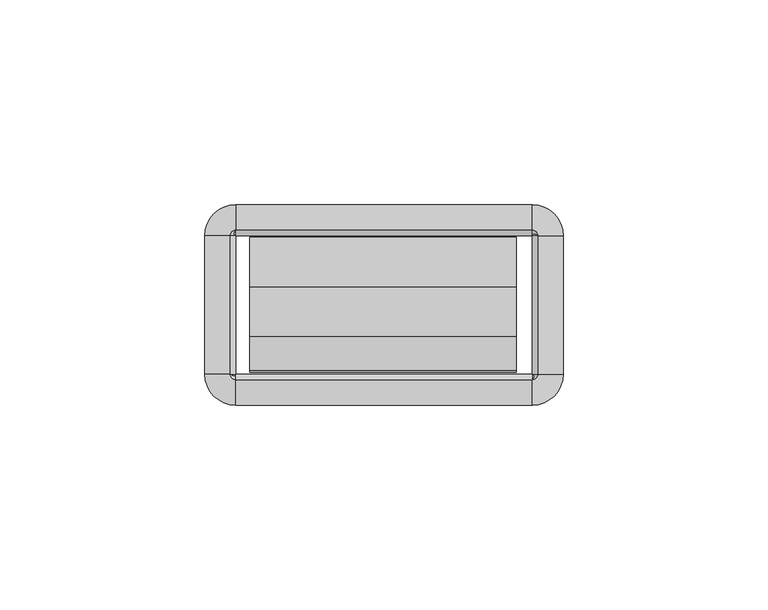
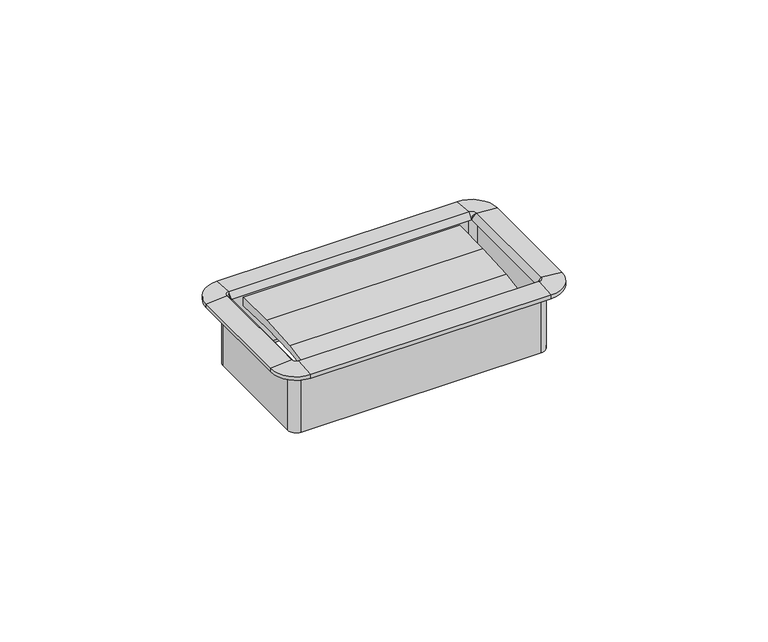
"""IFC4 building model written with IfcOpenShell, lengths in millimetres: furniture geometry."""

import ifcopenshell
import ifcopenshell.guid

model = None  # the IFC model being written
_history = None  # IfcOwnerHistory: only IFC2X3 demands one
_inside = {}  # id of a spatial element -> (the spatial element, [elements in it])
_under = {}  # id of a project, library or spatial element -> (it, [spatial elements below it])
_declared = {}  # id of a project -> (the project, [libraries it declares])
_typed = {}  # id of a type object -> (the type object, [elements of that type])
_made_of = {}  # id of a material, layer set ... -> (it, [elements and type objects made of it])


def new_model(schema):
    """Start an empty IFC model of exactly this schema.

    Asked for "IFC4X3", IfcOpenShell would pick the latest addendum, in which some entities
    have other attributes; the version numbers below select the first issue.
    IFC2X3 requires an IfcOwnerHistory on every rooted entity: one is made here for all.
    """
    global model, _history
    if schema == "IFC4X3":
        model = ifcopenshell.file(schema_version=(4, 3, 0, 0))
    else:
        model = ifcopenshell.file(schema=schema)
    _inside.clear()
    _under.clear()
    _declared.clear()
    _typed.clear()
    _made_of.clear()
    _history = None
    if model.schema == "IFC2X3":
        org = make("IfcOrganization", Name="unknown")
        user = make(
            "IfcPersonAndOrganization",
            ThePerson=make("IfcPerson", FamilyName="unknown"),
            TheOrganization=org,
        )
        app = make(
            "IfcApplication",
            ApplicationDeveloper=org,
            Version="unknown",
            ApplicationFullName="unknown",
            ApplicationIdentifier="unknown",
        )
        _history = make(
            "IfcOwnerHistory",
            OwningUser=user,
            OwningApplication=app,
            ChangeAction="ADDED",
            CreationDate=0,
        )
    return model


def make(cls, **values):
    """One entity of the class cls with the attributes given. An attribute that is None is left unset."""
    return model.create_entity(
        cls, **{name: value for name, value in values.items() if value is not None}
    )


def rooted(cls, **values):
    """An entity with a GlobalId (a new one), such as an element, a storey or a relation."""
    return make(cls, GlobalId=ifcopenshell.guid.new(), OwnerHistory=_history, **values)


def si_unit(unit_type, name, prefix=None):
    """IfcSIUnit, for example si_unit("LENGTHUNIT", "METRE", prefix="MILLI")."""
    return make("IfcSIUnit", UnitType=unit_type, Prefix=prefix, Name=name)


def assignment(units):
    """IfcUnitAssignment: the units of a project."""
    return None if units is None else make("IfcUnitAssignment", Units=units)


def point(xyz):
    """IfcCartesianPoint."""
    return None if xyz is None else make("IfcCartesianPoint", Coordinates=xyz)


def direction(xyz):
    """IfcDirection."""
    return None if xyz is None else make("IfcDirection", DirectionRatios=xyz)


def frame(location, z_axis=None, x_axis=None):
    """IfcAxis2Placement3D, a coordinate frame: its origin and axes. An axis left out is left unset."""
    return make(
        "IfcAxis2Placement3D",
        Location=point(location),
        Axis=direction(z_axis),
        RefDirection=direction(x_axis),
    )


def origin():
    """The frame at (0, 0, 0) with its axes left unset."""
    return frame((0.0, 0.0, 0.0))


def place(relative_to, where):
    """IfcLocalPlacement: puts the frame where relative to a parent placement (None: the world)."""
    return make(
        "IfcLocalPlacement", PlacementRelTo=relative_to, RelativePlacement=where
    )


def context(
    kind, dimensions, precision=None, world=None, true_north=None, identifier=None
):
    """IfcGeometricRepresentationContext, for example the 3D "Model" context."""
    return make(
        "IfcGeometricRepresentationContext",
        ContextIdentifier=identifier,
        ContextType=kind,
        CoordinateSpaceDimension=dimensions,
        Precision=precision,
        WorldCoordinateSystem=world,
        TrueNorth=true_north,
    )


def project(units=None, contexts=None):
    """IfcProject with its units and contexts."""
    return rooted(
        "IfcProject",
        Name="project",
        RepresentationContexts=contexts,
        UnitsInContext=assignment(units),
    )


def spatial(cls, under=None, at=None, **own):
    """A site, building, storey or space (cls), placed at a placement, below another one or the project."""
    s = rooted(cls, ObjectPlacement=at, **own)
    if under is not None:
        _under.setdefault(under.id(), (under, []))[1].append(s)
    return s


def polyline(points):
    """IfcPolyline through the points."""
    return make("IfcPolyline", Points=[point(p) for p in points])


def circle_curve(where, radius):
    """IfcCircle in the frame where."""
    return make("IfcCircle", Position=where, Radius=radius)


def outline(outer, holes=None, kind="AREA"):
    """IfcArbitraryClosedProfileDef: a profile drawn as a closed curve; with holes, ...WithVoids."""
    if holes is None:
        return make("IfcArbitraryClosedProfileDef", ProfileType=kind, OuterCurve=outer)
    return make(
        "IfcArbitraryProfileDefWithVoids",
        ProfileType=kind,
        OuterCurve=outer,
        InnerCurves=holes,
    )


def extrude(swept, where, along, depth):
    """IfcExtrudedAreaSolid: the profile swept, set in the frame where, extruded along a direction by depth."""
    return make(
        "IfcExtrudedAreaSolid",
        SweptArea=swept,
        Position=where,
        ExtrudedDirection=direction(along),
        Depth=depth,
    )


def shape(context_of_items, identifier, shape_type, items):
    """IfcShapeRepresentation: the items that make up one representation, for example the "Body"."""
    return make(
        "IfcShapeRepresentation",
        ContextOfItems=context_of_items,
        RepresentationIdentifier=identifier,
        RepresentationType=shape_type,
        Items=items,
    )


def source(mapping_origin, context_of_items, identifier, shape_type, items):
    """IfcRepresentationMap: a shape defined once, which mapped items show again and again."""
    return make(
        "IfcRepresentationMap",
        MappingOrigin=mapping_origin,
        MappedRepresentation=shape(context_of_items, identifier, shape_type, items),
    )


def transform(
    local_origin,
    x_axis=None,
    y_axis=None,
    z_axis=None,
    scale=None,
    scale2=None,
    scale3=None,
    uniform=True,
):
    """IfcCartesianTransformationOperator3D, or its non-uniform kind. x_axis, y_axis, z_axis: its Axis1, 2, 3."""
    if uniform:
        return make(
            "IfcCartesianTransformationOperator3D",
            Axis1=direction(x_axis),
            Axis2=direction(y_axis),
            LocalOrigin=point(local_origin),
            Scale=scale,
            Axis3=direction(z_axis),
        )
    return make(
        "IfcCartesianTransformationOperator3DnonUniform",
        Axis1=direction(x_axis),
        Axis2=direction(y_axis),
        LocalOrigin=point(local_origin),
        Scale=scale,
        Axis3=direction(z_axis),
        Scale2=scale2,
        Scale3=scale3,
    )


def mapped(mapping_source, mapping_target):
    """IfcMappedItem: shows the shape of a source again, moved by a transform."""
    return make(
        "IfcMappedItem", MappingSource=mapping_source, MappingTarget=mapping_target
    )


def made_of(thing, what):
    """Note that an element or type object is made of a material, layer set ...; save() writes the relation."""
    if what is not None:
        _made_of.setdefault(what.id(), (what, []))[1].append(thing)
    return thing


def element(
    cls,
    number,
    at=None,
    inside=None,
    cuts=None,
    type_object=None,
    material=None,
    context=None,
    identifier="Body",
    shape_type=None,
    held_by="IfcProductDefinitionShape",
    body=None,
    shapes=None,
    **own,
):
    """One element of the class cls, such as IfcWall. Its Tag is "e" and its number.

    at: its placement. inside: the storey or other place that contains it. cuts: it is an
    opening in that element (IfcRelVoidsElement). A single representation is given by context,
    identifier, shape_type and body (its items); several are given by shapes. held_by: the class
    of the entity that holds the representations. save() writes the other relations.
    """
    e = rooted(cls, Tag="e%d" % number, ObjectPlacement=at, **own)
    if body is not None:
        shapes = [shape(context, identifier, shape_type, body)]
    if shapes is not None:
        e.Representation = make(held_by, Representations=shapes)
    if inside is not None:
        _inside.setdefault(inside.id(), (inside, []))[1].append(e)
    if cuts is not None:
        rooted(
            "IfcRelVoidsElement", RelatingBuildingElement=cuts, RelatedOpeningElement=e
        )
    if type_object is not None:
        _typed.setdefault(type_object.id(), (type_object, []))[1].append(e)
    return made_of(e, material)


def aggregate(whole, parts):
    """IfcRelAggregates: a whole, such as a stair, and the parts it consists of."""
    return rooted("IfcRelAggregates", RelatingObject=whole, RelatedObjects=parts)


def save(model, path):
    """Write the relations noted so far, then the file.

    IfcRelAggregates (storeys below a building ...), IfcRelContainedInSpatialStructure (elements
    in a storey), IfcRelDefinesByType, IfcRelAssociatesMaterial and IfcRelDeclares: one each for
    every whole, place, type object, material and project.
    """
    for whole, parts in _under.values():
        aggregate(whole, parts)
    for where, things in _inside.values():
        rooted(
            "IfcRelContainedInSpatialStructure",
            RelatedElements=things,
            RelatingStructure=where,
        )
    for kind, things in _typed.values():
        rooted("IfcRelDefinesByType", RelatedObjects=things, RelatingType=kind)
    for what, things in _made_of.values():
        rooted("IfcRelAssociatesMaterial", RelatedObjects=things, RelatingMaterial=what)
    for by, libraries in _declared.values():
        rooted("IfcRelDeclares", RelatingContext=by, RelatedDefinitions=libraries)
    model.write(path)


def plane_surface(at):
    """IfcPlane: the flat surface through the origin of the frame at, square to its z axis."""
    return make("IfcPlane", Position=at)


def cylinder_surface(at, radius):
    """IfcCylindricalSurface: all points at the distance radius from the z axis of the frame at."""
    return make("IfcCylindricalSurface", Position=at, Radius=radius)


def revolved_surface(curve, axis_point, axis_direction):
    """IfcSurfaceOfRevolution: the curve turned about the line through axis_point along axis_direction."""
    return make(
        "IfcSurfaceOfRevolution",
        SweptCurve=make("IfcArbitraryOpenProfileDef", ProfileType="CURVE", Curve=curve),
        AxisPosition=make("IfcAxis1Placement", Location=point(axis_point), Axis=direction(axis_direction)),
    )


def advanced_brep(points, edges, surfaces, faces):
    """IfcAdvancedBrep: a solid bounded by faces that lie on surfaces and meet in shared edges.

    An edge is (start, end): straight between two places in points (the first is 0);
    or (start, end, curve); or (start, end, curve, False) where it runs against its curve.
    A face is (place in surfaces, loops), or (place, loops, False) where it looks against
    its surface's normal. A loop lists edges by number (the first is 1), with a minus sign
    where the edge is run from its end to its start. The first loop is the outer one.
    """
    corners = [point(p) for p in points]
    vertices = [make("IfcVertexPoint", VertexGeometry=c) for c in corners]
    made = []
    for start, end, *more in edges:
        made.append(
            make(
                "IfcEdgeCurve",
                EdgeStart=vertices[start],
                EdgeEnd=vertices[end],
                EdgeGeometry=more[0] if more else make("IfcPolyline", Points=[corners[start], corners[end]]),
                SameSense=more[1] if len(more) > 1 else True,
            )
        )
    hull = []
    for where, loops, *sense in faces:
        bounds = []
        for j, loop in enumerate(loops):
            ring = [make("IfcOrientedEdge", EdgeElement=made[abs(k) - 1], Orientation=k > 0) for k in loop]
            bounds.append(
                make(
                    "IfcFaceOuterBound" if j == 0 else "IfcFaceBound",
                    Bound=make("IfcEdgeLoop", EdgeList=ring),
                    Orientation=True,
                )
            )
        hull.append(make("IfcAdvancedFace", Bounds=bounds, FaceSurface=surfaces[where], SameSense=sense[0] if sense else True))
    return make("IfcAdvancedBrep", Outer=make("IfcClosedShell", CfsFaces=hull))


def furniture_519ffbaa(model_context):
    return source(origin(), model_context, "Body", "SolidModel", [
        extrude(outline(polyline([(-27.4015977, 722.2413463), (-35.841251, 721.1777762), (-35.4230807, 722.5557243), (-27.1272776, 724.0947401), (-15.0207956, 724.8883076), (-2.8884162, 724.9334028), (-2.9633248, 722.1752515), (-15.1814712, 722.5742355), (-27.4015977, 722.2413463)])), frame((-32.8496732, 0.0, 0.0), z_axis=(1.0, 0.0, 0.0), x_axis=(0.0, 1.0, 0.0)), (0.0, 0.0, 1.0), 65.1763996),
        advanced_brep(
        [(37.8602578, -2.54, 725.17), (36.1704551, -0.8501974, 725.17), (36.1704551, -0.8501974, 706.3232), (37.8602578, -2.54, 706.3232), (37.5244377, -2.54, 726.8352454), (36.1704551, -1.1860174, 726.8352454), (36.1704551, -2.5172282, 725.17), (43.7913825, -2.54, 726.313), (36.1704551, 5.0809274, 726.313), (43.7913825, -2.54, 725.17), (36.1704551, 5.0809274, 725.17), (38.7104551, -2.54, 704.8499989), (36.1704551, 0.0, 704.8499989), (36.1704551, 0.0, 725.17), (38.7104551, -2.54, 725.17), (37.8602578, -36.2712, 706.3232), (37.8602578, -36.2712, 725.17), (36.1932269, -36.2712, 725.17), (37.5244377, -36.2712, 726.8352454), (43.7913825, -36.2712, 726.313), (43.7913825, -36.2712, 725.17), (38.7104551, -36.2712, 725.17), (38.7104551, -36.2712, 704.8499989), (36.1704551, -37.9610026, 725.17), (36.1704551, -37.9610026, 706.3232), (36.1704551, -37.6251826, 726.8352454), (36.1704551, -43.8921274, 726.313), (36.1704551, -43.8921274, 725.17), (36.1704551, -38.8112, 704.8499989), (36.1704551, -38.8112, 725.17), (-36.1687428, -37.9610026, 706.3232), (-36.1687428, -37.9610026, 725.17), (-36.1687428, -36.2939718, 725.17), (-36.1687428, -37.6251826, 726.8352454), (-36.1687428, -43.8921274, 726.313), (-36.1687428, -43.8921274, 725.17), (-36.1687428, -38.8112, 725.17), (-36.1687428, -38.8112, 704.8499989), (-37.8585455, -36.2712, 725.17), (-37.8585455, -36.2712, 706.3232), (-37.5227254, -36.2712, 726.8352454), (-43.7896702, -36.2712, 726.313), (-43.7896702, -36.2712, 725.17), (-38.7087428, -36.2712, 704.8499989), (-38.7087428, -36.2712, 725.17), (-37.8585455, -2.54, 706.3232), (-37.8585455, -2.54, 725.17), (-36.1915146, -2.54, 725.17), (-37.5227254, -2.54, 726.8352454), (-43.7896702, -2.54, 726.313), (-43.7896702, -2.54, 725.17), (-38.7087428, -2.54, 725.17), (-38.7087428, -2.54, 704.8499989), (-36.1687428, -0.8501974, 725.17), (-36.1687428, -0.8501974, 706.3232), (-36.1687428, -1.1860174, 726.8352454), (-36.1687428, 5.0809274, 726.313), (-36.1687428, 5.0809274, 725.17), (-36.1687428, 0.0, 704.8499989), (-36.1687428, 0.0, 725.17), (38.6519521, -2.54, 706.3232), (36.1704551, -0.058503, 706.3232), (38.6519521, -36.2712, 706.3232), (36.1704551, -38.752697, 706.3232), (-36.1687428, -38.752697, 706.3232), (-38.6502398, -36.2712, 706.3232), (-38.6502398, -2.54, 706.3232), (-36.1687428, -0.058503, 706.3232)],
        [
            (0, 1, circle_curve(frame((36.1704551, -2.54, 725.17), z_axis=(0.0, 0.0, 1.0), x_axis=(0.0, 1.0, 0.0)), 1.6898026)),
            (1, 2),
            (2, 3, circle_curve(frame((36.1704551, -2.54, 706.3232), z_axis=(0.0, 0.0, -1.0), x_axis=(0.0, 1.0, 0.0)), 1.6898026)),
            (3, 0),
            (4, 5, circle_curve(frame((36.1704551, -2.54, 726.8352454), z_axis=(0.0, 0.0, 1.0), x_axis=(0.0, 1.0, 0.0)), 1.3539826)),
            (5, 6),
            (6, 4),
            (7, 8, circle_curve(frame((36.1704551, -2.54, 726.313), z_axis=(0.0, 0.0, 1.0), x_axis=(0.0, 1.0, 0.0)), 7.6209274)),
            (8, 5),
            (4, 7),
            (9, 10, circle_curve(frame((36.1704551, -2.54, 725.17), z_axis=(0.0, 0.0, 1.0), x_axis=(0.0, 1.0, 0.0)), 7.6209274)),
            (10, 8),
            (7, 9),
            (11, 12, circle_curve(frame((36.1704551, -2.54, 704.8499989), z_axis=(0.0, 0.0, 1.0), x_axis=(0.0, 1.0, 0.0)), 2.54)),
            (12, 13),
            (13, 14, circle_curve(frame((36.1704551, -2.54, 725.17), z_axis=(0.0, 0.0, -1.0), x_axis=(0.0, 1.0, 0.0)), 2.54)),
            (14, 11),
            (3, 15),
            (15, 16),
            (16, 0),
            (6, 17),
            (17, 18),
            (18, 4),
            (18, 19),
            (19, 7),
            (19, 20),
            (20, 9),
            (14, 21),
            (21, 22),
            (22, 11),
            (23, 16, circle_curve(frame((36.1704551, -36.2712, 725.17), z_axis=(0.0, 0.0, 1.0), x_axis=(1.0, 0.0, 0.0)), 1.6898026)),
            (15, 24, circle_curve(frame((36.1704551, -36.2712, 706.3232), z_axis=(0.0, 0.0, -1.0), x_axis=(1.0, 0.0, 0.0)), 1.6898026)),
            (24, 23),
            (25, 18, circle_curve(frame((36.1704551, -36.2712, 726.8352454), z_axis=(0.0, 0.0, 1.0), x_axis=(1.0, 0.0, 0.0)), 1.3539826)),
            (17, 25),
            (26, 19, circle_curve(frame((36.1704551, -36.2712, 726.313), z_axis=(0.0, 0.0, 1.0), x_axis=(1.0, 0.0, 0.0)), 7.6209274)),
            (25, 26),
            (27, 20, circle_curve(frame((36.1704551, -36.2712, 725.17), z_axis=(0.0, 0.0, 1.0), x_axis=(1.0, 0.0, 0.0)), 7.6209274)),
            (26, 27),
            (28, 22, circle_curve(frame((36.1704551, -36.2712, 704.8499989), z_axis=(0.0, 0.0, 1.0), x_axis=(1.0, 0.0, 0.0)), 2.54)),
            (21, 29, circle_curve(frame((36.1704551, -36.2712, 725.17), z_axis=(0.0, 0.0, -1.0), x_axis=(1.0, 0.0, 0.0)), 2.54)),
            (29, 28),
            (24, 30),
            (30, 31),
            (31, 23),
            (17, 32),
            (32, 33),
            (33, 25),
            (33, 34),
            (34, 26),
            (34, 35),
            (35, 27),
            (29, 36),
            (36, 37),
            (37, 28),
            (38, 31, circle_curve(frame((-36.1687428, -36.2712, 725.17), z_axis=(0.0, 0.0, 1.0), x_axis=(0.0, -1.0, 0.0)), 1.6898026)),
            (30, 39, circle_curve(frame((-36.1687428, -36.2712, 706.3232), z_axis=(0.0, 0.0, -1.0), x_axis=(0.0, -1.0, 0.0)), 1.6898026)),
            (39, 38),
            (40, 33, circle_curve(frame((-36.1687428, -36.2712, 726.8352454), z_axis=(0.0, 0.0, 1.0), x_axis=(0.0, -1.0, 0.0)), 1.3539826)),
            (32, 40),
            (41, 34, circle_curve(frame((-36.1687428, -36.2712, 726.313), z_axis=(0.0, 0.0, 1.0), x_axis=(0.0, -1.0, 0.0)), 7.6209274)),
            (40, 41),
            (42, 35, circle_curve(frame((-36.1687428, -36.2712, 725.17), z_axis=(0.0, 0.0, 1.0), x_axis=(0.0, -1.0, 0.0)), 7.6209274)),
            (41, 42),
            (43, 37, circle_curve(frame((-36.1687428, -36.2712, 704.8499989), z_axis=(0.0, 0.0, 1.0), x_axis=(0.0, -1.0, 0.0)), 2.54)),
            (36, 44, circle_curve(frame((-36.1687428, -36.2712, 725.17), z_axis=(0.0, 0.0, -1.0), x_axis=(0.0, -1.0, 0.0)), 2.54)),
            (44, 43),
            (39, 45),
            (45, 46),
            (46, 38),
            (32, 47),
            (47, 48),
            (48, 40),
            (48, 49),
            (49, 41),
            (49, 50),
            (50, 42),
            (44, 51),
            (51, 52),
            (52, 43),
            (53, 46, circle_curve(frame((-36.1687428, -2.54, 725.17), z_axis=(0.0, 0.0, 1.0), x_axis=(-1.0, 0.0, 0.0)), 1.6898026)),
            (45, 54, circle_curve(frame((-36.1687428, -2.54, 706.3232), z_axis=(0.0, 0.0, -1.0), x_axis=(-1.0, 0.0, 0.0)), 1.6898026)),
            (54, 53),
            (55, 48, circle_curve(frame((-36.1687428, -2.54, 726.8352454), z_axis=(0.0, 0.0, 1.0), x_axis=(-1.0, 0.0, 0.0)), 1.3539826)),
            (47, 55),
            (56, 49, circle_curve(frame((-36.1687428, -2.54, 726.313), z_axis=(0.0, 0.0, 1.0), x_axis=(-1.0, 0.0, 0.0)), 7.6209274)),
            (55, 56),
            (57, 50, circle_curve(frame((-36.1687428, -2.54, 725.17), z_axis=(0.0, 0.0, 1.0), x_axis=(-1.0, 0.0, 0.0)), 7.6209274)),
            (56, 57),
            (58, 52, circle_curve(frame((-36.1687428, -2.54, 704.8499989), z_axis=(0.0, 0.0, 1.0), x_axis=(-1.0, 0.0, 0.0)), 2.54)),
            (51, 59, circle_curve(frame((-36.1687428, -2.54, 725.17), z_axis=(0.0, 0.0, -1.0), x_axis=(-1.0, 0.0, 0.0)), 2.54)),
            (59, 58),
            (54, 2),
            (1, 53),
            (6, 47),
            (5, 55),
            (8, 56),
            (10, 57),
            (13, 59),
            (12, 58),
            (60, 61, circle_curve(frame((36.1704551, -2.54, 706.3232), z_axis=(0.0, 0.0, 1.0), x_axis=(0.0, 1.0, 0.0)), 2.481497)),
            (61, 12),
            (11, 60),
            (22, 62),
            (62, 60),
            (63, 62, circle_curve(frame((36.1704551, -36.2712, 706.3232), z_axis=(0.0, 0.0, 1.0), x_axis=(1.0, 0.0, 0.0)), 2.481497)),
            (28, 63),
            (37, 64),
            (64, 63),
            (65, 64, circle_curve(frame((-36.1687428, -36.2712, 706.3232), z_axis=(0.0, 0.0, 1.0), x_axis=(0.0, -1.0, 0.0)), 2.481497)),
            (43, 65),
            (52, 66),
            (66, 65),
            (67, 66, circle_curve(frame((-36.1687428, -2.54, 706.3232), z_axis=(0.0, 0.0, 1.0), x_axis=(-1.0, 0.0, 0.0)), 2.481497)),
            (58, 67),
            (61, 67),
        ],
        [
            revolved_surface(polyline([(36.1704551, -0.8501974000000001, 706.3232), (36.1704551, -0.8501974000000001, 725.17)]), (36.1704551, -2.54, 725.17), (0.0, 0.0, -1.0)),
            revolved_surface(polyline([(36.1704551, -2.5172282, 725.17), (36.1704551, -1.1860174, 726.8352454)]), (36.1704551, -2.54, 725.17), (0.0, 0.0, -1.0)),
            revolved_surface(polyline([(36.1704551, -1.1860174, 726.8352454), (36.1704551, 5.0809274, 726.313)]), (36.1704551, -2.54, 725.17), (0.0, 0.0, -1.0)),
            cylinder_surface(frame((36.1704551, -2.54, 725.17), z_axis=(0.0, 0.0, -1.0), x_axis=(0.0, 1.0, 0.0)), 7.6209274),
            cylinder_surface(frame((36.1704551, -2.54, 725.17), z_axis=(0.0, 0.0, -1.0), x_axis=(0.0, 1.0, 0.0)), 2.54),
            plane_surface(frame((37.8602578, -2.54, 706.3232), z_axis=(-1.0, 0.0, 0.0), x_axis=(0.0, -1.0, 0.0))),
            plane_surface(frame((36.1932269, -2.54, 725.17), z_axis=(-0.7810942622858547, 0.0, 0.6244131272035499), x_axis=(0.0, -1.0, 0.0))),
            plane_surface(frame((37.5244377, -2.54, 726.8352454), z_axis=(0.08304548081379862, 0.0, 0.9965457581648749), x_axis=(0.0, -1.0, 0.0))),
            plane_surface(frame((43.7913825, -2.54, 726.313), z_axis=(1.0, 0.0, 0.0), x_axis=(0.0, -1.0, 0.0))),
            plane_surface(frame((38.7104551, -2.54, 725.17), z_axis=(1.0, 0.0, 0.0), x_axis=(0.0, -1.0, 0.0))),
            revolved_surface(polyline([(37.8602577, -36.2712, 706.3232), (37.8602577, -36.2712, 725.17)]), (36.1704551, -36.2712, 725.17), (0.0, 0.0, -1.0)),
            revolved_surface(polyline([(36.1932269, -36.2712, 725.17), (37.5244377, -36.2712, 726.8352454)]), (36.1704551, -36.2712, 725.17), (0.0, 0.0, -1.0)),
            revolved_surface(polyline([(37.5244377, -36.2712, 726.8352454), (43.7913825, -36.2712, 726.313)]), (36.1704551, -36.2712, 725.17), (0.0, 0.0, -1.0)),
            cylinder_surface(frame((36.1704551, -36.2712, 725.17), z_axis=(0.0, 0.0, -1.0), x_axis=(1.0, 0.0, 0.0)), 7.6209274),
            cylinder_surface(frame((36.1704551, -36.2712, 725.17), z_axis=(0.0, 0.0, -1.0), x_axis=(1.0, 0.0, 0.0)), 2.54),
            plane_surface(frame((36.1704551, -37.9610026, 706.3232), z_axis=(0.0, 1.0, 0.0), x_axis=(-1.0, 0.0, 0.0))),
            plane_surface(frame((36.1704551, -36.2939718, 725.17), z_axis=(0.0, 0.7810942622858565, 0.6244131272035475), x_axis=(-1.0, 0.0, 0.0))),
            plane_surface(frame((36.1704551, -37.6251826, 726.8352454), z_axis=(0.0, -0.08304548081379555, 0.9965457581648751), x_axis=(-1.0, 0.0, 0.0))),
            plane_surface(frame((36.1704551, -43.8921274, 726.313), z_axis=(0.0, -1.0, 0.0), x_axis=(-1.0, 0.0, 0.0))),
            plane_surface(frame((36.1704551, -38.8112, 725.17), z_axis=(0.0, -1.0, 0.0), x_axis=(-1.0, 0.0, 0.0))),
            revolved_surface(polyline([(-36.1687428, -37.9610026, 706.3232), (-36.1687428, -37.9610026, 725.17)]), (-36.1687428, -36.2712, 725.17), (0.0, 0.0, -1.0)),
            revolved_surface(polyline([(-36.1687428, -36.2939718, 725.17), (-36.1687428, -37.6251826, 726.8352454)]), (-36.1687428, -36.2712, 725.17), (0.0, 0.0, -1.0)),
            revolved_surface(polyline([(-36.1687428, -37.6251826, 726.8352454), (-36.1687428, -43.8921274, 726.313)]), (-36.1687428, -36.2712, 725.17), (0.0, 0.0, -1.0)),
            cylinder_surface(frame((-36.1687428, -36.2712, 725.17), z_axis=(0.0, 0.0, -1.0), x_axis=(0.0, -1.0, 0.0)), 7.6209274),
            cylinder_surface(frame((-36.1687428, -36.2712, 725.17), z_axis=(0.0, 0.0, -1.0), x_axis=(0.0, -1.0, 0.0)), 2.54),
            plane_surface(frame((-37.8585455, -36.2712, 706.3232), z_axis=(1.0, 0.0, 0.0), x_axis=(0.0, 1.0, 0.0))),
            plane_surface(frame((-36.1915146, -36.2712, 725.17), z_axis=(0.7810942622858585, 0.0, 0.6244131272035451), x_axis=(0.0, 1.0, 0.0))),
            plane_surface(frame((-37.5227254, -36.2712, 726.8352454), z_axis=(-0.08304548081379248, 0.0, 0.9965457581648753), x_axis=(0.0, 1.0, 0.0))),
            plane_surface(frame((-43.7896702, -36.2712, 726.313), z_axis=(-1.0, 0.0, 0.0), x_axis=(0.0, 1.0, 0.0))),
            plane_surface(frame((-38.7087428, -36.2712, 725.17), z_axis=(-1.0, 0.0, 0.0), x_axis=(0.0, 1.0, 0.0))),
            revolved_surface(polyline([(-37.8585454, -2.54, 706.3232), (-37.8585454, -2.54, 725.17)]), (-36.1687428, -2.54, 725.17), (0.0, 0.0, -1.0)),
            revolved_surface(polyline([(-36.1915146, -2.54, 725.17), (-37.5227254, -2.54, 726.8352454)]), (-36.1687428, -2.54, 725.17), (0.0, 0.0, -1.0)),
            revolved_surface(polyline([(-37.5227254, -2.54, 726.8352454), (-43.7896702, -2.54, 726.313)]), (-36.1687428, -2.54, 725.17), (0.0, 0.0, -1.0)),
            cylinder_surface(frame((-36.1687428, -2.54, 725.17), z_axis=(0.0, 0.0, -1.0), x_axis=(-1.0, 0.0, 0.0)), 7.6209274),
            cylinder_surface(frame((-36.1687428, -2.54, 725.17), z_axis=(0.0, 0.0, -1.0), x_axis=(-1.0, 0.0, 0.0)), 2.54),
            plane_surface(frame((-36.1687428, -0.8501974, 706.3232), z_axis=(0.0, -1.0, 0.0), x_axis=(1.0, 0.0, 0.0))),
            plane_surface(frame((-36.1687428, -0.8501974, 725.17), z_axis=(0.0, 0.0, -1.0), x_axis=(1.0, 0.0, 0.0))),
            plane_surface(frame((-36.1687428, -2.5172282, 725.17), z_axis=(0.0, -0.7810942622858567, 0.6244131272035476), x_axis=(1.0, 0.0, 0.0))),
            plane_surface(frame((-36.1687428, -1.1860174, 726.8352454), z_axis=(0.0, 0.08304548081379555, 0.9965457581648751), x_axis=(1.0, 0.0, 0.0))),
            plane_surface(frame((-36.1687428, 5.0809274, 726.313), z_axis=(0.0, 1.0, 0.0), x_axis=(1.0, 0.0, 0.0))),
            plane_surface(frame((-36.1687428, 5.0809274, 725.17), z_axis=(0.0, 0.0, -1.0), x_axis=(1.0, 0.0, 0.0))),
            plane_surface(frame((-36.1687428, 0.0, 725.17), z_axis=(0.0, 1.0, 0.0), x_axis=(1.0, 0.0, 0.0))),
            revolved_surface(polyline([(36.1704551, 0.0, 704.8499989), (36.1704551, -0.058503, 706.3232)]), (36.1704551, -2.54, 725.17), (0.0, 0.0, -1.0)),
            plane_surface(frame((38.7104551, -2.54, 704.8499989), z_axis=(-0.9992124303949471, 0.0, -0.03968020847000604), x_axis=(0.0, -1.0, 0.0))),
            revolved_surface(polyline([(38.7104551, -36.2712, 704.8499989), (38.6519521, -36.2712, 706.3232)]), (36.1704551, -36.2712, 725.17), (0.0, 0.0, -1.0)),
            plane_surface(frame((36.1704551, -38.8112, 704.8499989), z_axis=(0.0, 0.999212430394947, -0.039680208470009116), x_axis=(-1.0, 0.0, 0.0))),
            revolved_surface(polyline([(-36.1687428, -38.8112, 704.8499989), (-36.1687428, -38.752697, 706.3232)]), (-36.1687428, -36.2712, 725.17), (0.0, 0.0, -1.0)),
            plane_surface(frame((-38.7087428, -36.2712, 704.8499989), z_axis=(0.9992124303949469, 0.0, -0.03968020847001219), x_axis=(0.0, 1.0, 0.0))),
            revolved_surface(polyline([(-38.7087428, -2.54, 704.8499989), (-38.6502398, -2.54, 706.3232)]), (-36.1687428, -2.54, 725.17), (0.0, 0.0, -1.0)),
            plane_surface(frame((-36.1687428, 0.0, 704.8499989), z_axis=(0.0, -0.999212430394947, -0.039680208470009116), x_axis=(1.0, 0.0, 0.0))),
            plane_surface(frame((-36.1687428, -0.058503, 706.3232), z_axis=(0.0, 0.0, -1.0), x_axis=(1.0, 0.0, 0.0))),
        ],
        [
            (0, [[1, 2, 3, 4]]),
            (1, [[5, 6, 7]]),
            (2, [[8, 9, -5, 10]]),
            (3, [[11, 12, -8, 13]]),
            (4, [[14, 15, 16, 17]]),
            (5, [[-4, 18, 19, 20]]),
            (6, [[-7, 21, 22, 23]]),
            (7, [[-10, -23, 24, 25]]),
            (8, [[-13, -25, 26, 27]]),
            (9, [[-17, 28, 29, 30]]),
            (10, [[31, -19, 32, 33]]),
            (11, [[34, -22, 35]]),
            (12, [[36, -24, -34, 37]]),
            (13, [[38, -26, -36, 39]]),
            (14, [[40, -29, 41, 42]]),
            (15, [[-33, 43, 44, 45]]),
            (16, [[-35, 46, 47, 48]]),
            (17, [[-37, -48, 49, 50]]),
            (18, [[-39, -50, 51, 52]]),
            (19, [[-42, 53, 54, 55]]),
            (20, [[56, -44, 57, 58]]),
            (21, [[59, -47, 60]]),
            (22, [[61, -49, -59, 62]]),
            (23, [[63, -51, -61, 64]]),
            (24, [[65, -54, 66, 67]]),
            (25, [[-58, 68, 69, 70]]),
            (26, [[-60, 71, 72, 73]]),
            (27, [[-62, -73, 74, 75]]),
            (28, [[-64, -75, 76, 77]]),
            (29, [[-67, 78, 79, 80]]),
            (30, [[81, -69, 82, 83]]),
            (31, [[84, -72, 85]]),
            (32, [[86, -74, -84, 87]]),
            (33, [[88, -76, -86, 89]]),
            (34, [[90, -79, 91, 92]]),
            (35, [[-83, 93, -2, 94]]),
            (36, [[-70, -81, -94, -1, -20, -31, -45, -56], [95, -71, -46, -21]]),
            (37, [[-85, -95, -6, 96]]),
            (38, [[-87, -96, -9, 97]]),
            (39, [[-89, -97, -12, 98]]),
            (40, [[-77, -88, -98, -11, -27, -38, -52, -63], [99, -91, -78, -66, -53, -41, -28, -16]]),
            (41, [[-92, -99, -15, 100]]),
            (42, [[101, 102, -14, 103]]),
            (43, [[-103, -30, 104, 105]]),
            (44, [[106, -104, -40, 107]]),
            (45, [[-107, -55, 108, 109]]),
            (46, [[110, -108, -65, 111]]),
            (47, [[-111, -80, 112, 113]]),
            (48, [[114, -112, -90, 115]]),
            (49, [[-115, -100, -102, 116]]),
            (50, [[-113, -114, -116, -101, -105, -106, -109, -110], [-93, -82, -68, -57, -43, -32, -18, -3]]),
        ],
    ),
    ])


if __name__ == "__main__":
    model = new_model("IFC4")
    model_context = context("Model", 3, world=origin())
    ifc_project = project(units=[si_unit("LENGTHUNIT", "METRE", prefix="MILLI")], contexts=[model_context])
    site = spatial("IfcSite", under=ifc_project)
    building = spatial("IfcBuilding", under=site)
    placement = place(None, origin())
    furniture_shape = furniture_519ffbaa(model_context)
    element("IfcFurniture", 1, at=placement, inside=building, context=model_context, shape_type="MappedRepresentation", body=[
        mapped(furniture_shape, transform((0.0, 0.0, 0.0), x_axis=(1.0, 0.0, 0.0), y_axis=(0.0, 1.0, 0.0), z_axis=(0.0, 0.0, 1.0))),
    ])
    save(model, "model.ifc")
